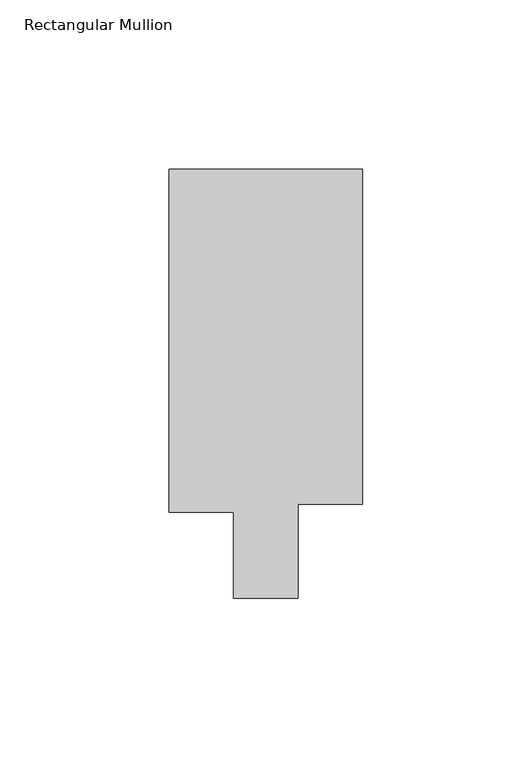
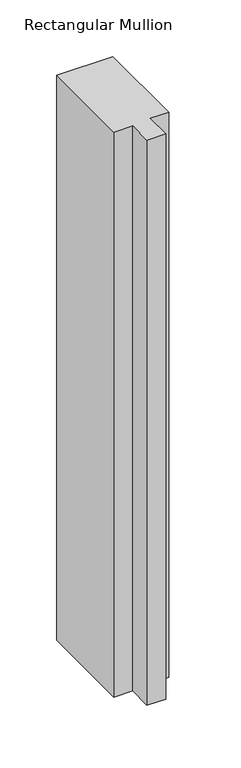
"""IFC4 building model written with IfcOpenShell, lengths in millimetres: member geometry, Rectangular Mullion."""

from ifc_helpers import new_model, si_unit, frame, origin, place, context, project, spatial, polyline, outline, extrude, source, transform, mapped, element, save


def rectangular_mullion_da88709c(model_context):
    return source(origin(), model_context, "Body", "SweptSolid", [
        extrude(outline(polyline([(0.0, 138.3252808), (0.0, 39.3898437), (-19.05, 39.3898437), (-19.05, 11.7038438), (-38.1, 11.7038438), (-38.1, 37.1038438), (-57.15, 37.1038438), (-57.15, 138.3252808), (0.0, 138.3252808)])), frame((0.0, 0.0, -609.6), z_axis=(0.0, 0.0, 1.0), x_axis=(1.0, 0.0, 0.0)), (0.0, 0.0, 1.0), 609.6),
    ])


if __name__ == "__main__":
    model = new_model("IFC4")
    model_context = context("Model", 3, world=origin())
    ifc_project = project(units=[si_unit("LENGTHUNIT", "METRE", prefix="MILLI")], contexts=[model_context])
    site = spatial("IfcSite", under=ifc_project)
    building = spatial("IfcBuilding", under=site)
    placement = place(None, origin())
    rectangular_mullion_shape = rectangular_mullion_da88709c(model_context)
    element("IfcMember", 1, ObjectType="Rectangular Mullion", at=placement, inside=building, context=model_context, shape_type="MappedRepresentation", body=[
        mapped(rectangular_mullion_shape, transform((0.0, 0.0, 0.0), x_axis=(1.0, 0.0, 0.0), y_axis=(0.0, 1.0, 0.0), z_axis=(0.0, 0.0, 1.0))),
    ])
    save(model, "model.ifc")
